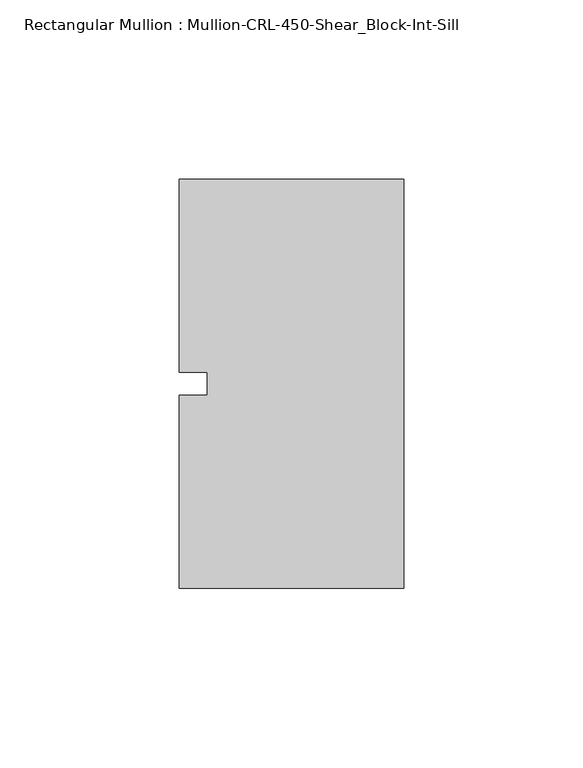
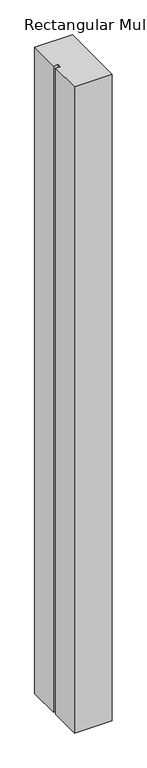
"""IFC4 building model written with IfcOpenShell, lengths in millimetres: member geometry, Rectangular Mullion : Mullion-CRL-450-Shear_Block-Int-Sill."""

from ifc_helpers import new_model, si_unit, frame, origin, place, context, project, spatial, polyline, outline, extrude, source, transform, mapped, element, save


def rectangular_mullion_mullion_crl_450_shear_block_int_sill_91761c79(model_context):
    return source(origin(), model_context, "Body", "SweptSolid", [
        extrude(outline(polyline([(-62.70625, -3.175), (-54.76875, -3.175), (-54.76875, 3.175), (-62.70625, 3.175), (-62.70625, 57.15), (0.0, 57.15), (0.0, -57.15), (-62.70625, -57.15), (-62.70625, -3.175)])), frame((0.0, 0.0, -1135.591609), z_axis=(0.0, 0.0, 1.0), x_axis=(1.0, 0.0, 0.0)), (0.0, 0.0, 1.0), 1135.591609),
    ])


if __name__ == "__main__":
    model = new_model("IFC4")
    model_context = context("Model", 3, world=origin())
    ifc_project = project(units=[si_unit("LENGTHUNIT", "METRE", prefix="MILLI")], contexts=[model_context])
    site = spatial("IfcSite", under=ifc_project)
    building = spatial("IfcBuilding", under=site)
    placement = place(None, origin())
    rectangular_mullion_mullion_crl_450_shear_block_int_sill_shape = rectangular_mullion_mullion_crl_450_shear_block_int_sill_91761c79(model_context)
    element("IfcMember", 1, ObjectType="Rectangular Mullion : Mullion-CRL-450-Shear_Block-Int-Sill", at=placement, inside=building, context=model_context, shape_type="MappedRepresentation", body=[
        mapped(rectangular_mullion_mullion_crl_450_shear_block_int_sill_shape, transform((0.0, 0.0, 0.0), x_axis=(1.0, 0.0, 0.0), y_axis=(0.0, 1.0, 0.0), z_axis=(0.0, 0.0, 1.0))),
    ])
    save(model, "model.ifc")
